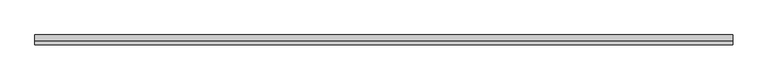
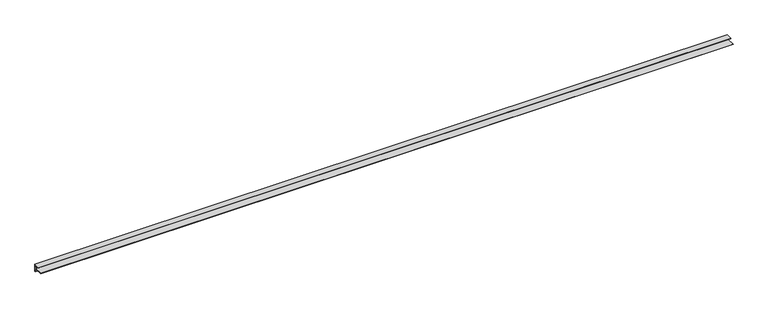
"""IFC4 building model written with IfcOpenShell, lengths in millimetres: proxy geometry."""

from ifc_helpers import new_model, si_unit, frame, origin, place, context, project, spatial, polyline, outline, extrude, source, transform, mapped, element, save


def generic_models_4b46ac18(model_context):
    return source(origin(), model_context, "Body", "SweptSolid", [
        extrude(outline(polyline([(-27.0, -10.0), (-3.9955123, -10.0), (-2.0032532, -8.0077408), (0.0, -8.0077408), (0.0, 0.0), (-16.0, 0.0), (-16.0, 1.0), (1.0, 1.0), (1.0, -20.9538856), (0.0, -20.9538856), (0.0, -9.0077408), (-1.5890396, -9.0077408), (-3.5812988, -11.0), (-27.0, -11.0), (-27.0, -10.0)])), frame((0.0, 0.0, 0.0), z_axis=(1.0, 0.0, 0.0), x_axis=(0.0, 1.0, 0.0)), (0.0, 0.0, 1.0), 2000.0),
    ])


if __name__ == "__main__":
    model = new_model("IFC4")
    model_context = context("Model", 3, world=origin())
    ifc_project = project(units=[si_unit("LENGTHUNIT", "METRE", prefix="MILLI")], contexts=[model_context])
    site = spatial("IfcSite", under=ifc_project)
    building = spatial("IfcBuilding", under=site)
    placement = place(None, origin())
    generic_models_shape = generic_models_4b46ac18(model_context)
    element("IfcBuildingElementProxy", 1, Name="Generic Models", at=placement, inside=building, context=model_context, shape_type="MappedRepresentation", body=[
        mapped(generic_models_shape, transform((0.0, 0.0, 0.0), x_axis=(1.0, 0.0, 0.0), y_axis=(0.0, 1.0, 0.0), z_axis=(0.0, 0.0, 1.0))),
    ])
    save(model, "model.ifc")
